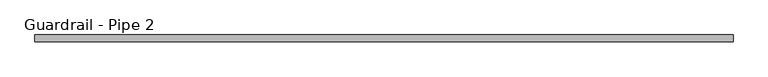
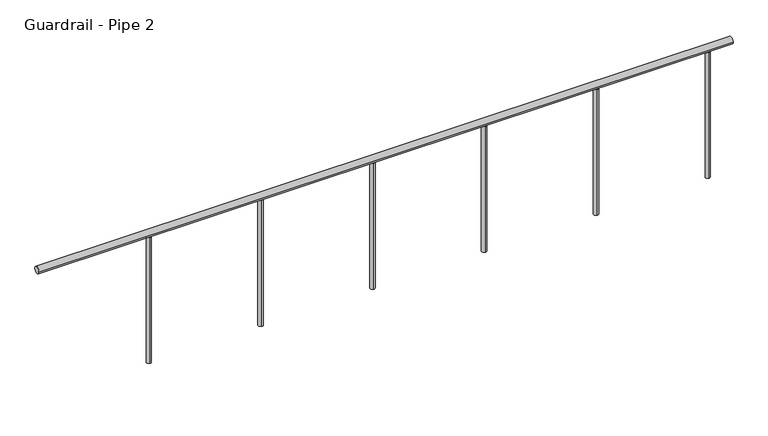
"""IFC4 building model written with IfcOpenShell, lengths in millimetres: railing geometry, Guardrail - Pipe 2."""

from ifc_helpers import new_model, si_unit, point, frame, frame_2d, origin, place, context, project, spatial, circle_curve, trimmed, segment, composite_curve, outline, extrude, source, transform, mapped, element, save


def guardrail_pipe_2_14f74d95(model_context):
    return source(origin(), model_context, "Body", "SweptSolid", [
        extrude(outline(composite_curve([segment(trimmed(circle_curve(frame_2d((-387785.7830223, 5518.15)), 19.05), [point((-387766.7330223, 5518.15))], [point((-387804.8330223, 5518.15))], False, "CARTESIAN"), True, "CONTINUOUS"), segment(trimmed(circle_curve(frame_2d((-387785.7830223, 5518.15)), 19.05), [point((-387804.8330223, 5518.15))], [point((-387766.7330223, 5518.15))], False, "CARTESIAN"), True, "CONTINUOUS")], self_intersect=False)), frame((263800.3572759, 0.0, 0.0), z_axis=(1.0, 0.0, 0.0), x_axis=(0.0, 1.0, 0.0)), (0.0, 0.0, 1.0), 3784.6),
        extrude(outline(composite_curve([segment(trimmed(circle_curve(frame_2d((267457.9572759, -387785.7830223)), 12.7), [point((267457.9572759, -387773.0830223))], [point((267457.9572759, -387798.4830223))], False, "CARTESIAN"), True, "CONTINUOUS"), segment(trimmed(circle_curve(frame_2d((267457.9572759, -387785.7830223)), 12.7), [point((267457.9572759, -387798.4830223))], [point((267457.9572759, -387773.0830223))], False, "CARTESIAN"), True, "CONTINUOUS")], self_intersect=False)), frame((0.0, 0.0, 4775.2), z_axis=(0.0, 0.0, 1.0), x_axis=(1.0, 0.0, 0.0)), (0.0, 0.0, 1.0), 723.9),
        extrude(outline(composite_curve([segment(trimmed(circle_curve(frame_2d((266848.3572759, -387785.7830223)), 12.7), [point((266848.3572759, -387773.0830223))], [point((266848.3572759, -387798.4830223))], False, "CARTESIAN"), True, "CONTINUOUS"), segment(trimmed(circle_curve(frame_2d((266848.3572759, -387785.7830223)), 12.7), [point((266848.3572759, -387798.4830223))], [point((266848.3572759, -387773.0830223))], False, "CARTESIAN"), True, "CONTINUOUS")], self_intersect=False)), frame((0.0, 0.0, 4775.2), z_axis=(0.0, 0.0, 1.0), x_axis=(1.0, 0.0, 0.0)), (0.0, 0.0, 1.0), 723.9),
        extrude(outline(composite_curve([segment(trimmed(circle_curve(frame_2d((266238.7572759, -387785.7830223)), 12.7), [point((266238.7572759, -387773.0830223))], [point((266238.7572759, -387798.4830223))], False, "CARTESIAN"), True, "CONTINUOUS"), segment(trimmed(circle_curve(frame_2d((266238.7572759, -387785.7830223)), 12.7), [point((266238.7572759, -387798.4830223))], [point((266238.7572759, -387773.0830223))], False, "CARTESIAN"), True, "CONTINUOUS")], self_intersect=False)), frame((0.0, 0.0, 4775.2), z_axis=(0.0, 0.0, 1.0), x_axis=(1.0, 0.0, 0.0)), (0.0, 0.0, 1.0), 723.9),
        extrude(outline(composite_curve([segment(trimmed(circle_curve(frame_2d((265629.1572759, -387785.7830223)), 12.7), [point((265629.1572759, -387773.0830223))], [point((265629.1572759, -387798.4830223))], False, "CARTESIAN"), True, "CONTINUOUS"), segment(trimmed(circle_curve(frame_2d((265629.1572759, -387785.7830223)), 12.7), [point((265629.1572759, -387798.4830223))], [point((265629.1572759, -387773.0830223))], False, "CARTESIAN"), True, "CONTINUOUS")], self_intersect=False)), frame((0.0, 0.0, 4775.2), z_axis=(0.0, 0.0, 1.0), x_axis=(1.0, 0.0, 0.0)), (0.0, 0.0, 1.0), 723.9),
        extrude(outline(composite_curve([segment(trimmed(circle_curve(frame_2d((265019.5572759, -387785.7830223)), 12.7), [point((265019.5572759, -387773.0830223))], [point((265019.5572759, -387798.4830223))], False, "CARTESIAN"), True, "CONTINUOUS"), segment(trimmed(circle_curve(frame_2d((265019.5572759, -387785.7830223)), 12.7), [point((265019.5572759, -387798.4830223))], [point((265019.5572759, -387773.0830223))], False, "CARTESIAN"), True, "CONTINUOUS")], self_intersect=False)), frame((0.0, 0.0, 4775.2), z_axis=(0.0, 0.0, 1.0), x_axis=(1.0, 0.0, 0.0)), (0.0, 0.0, 1.0), 723.9),
        extrude(outline(composite_curve([segment(trimmed(circle_curve(frame_2d((264409.9572759, -387785.7830223)), 12.7), [point((264409.9572759, -387773.0830223))], [point((264409.9572759, -387798.4830223))], False, "CARTESIAN"), True, "CONTINUOUS"), segment(trimmed(circle_curve(frame_2d((264409.9572759, -387785.7830223)), 12.7), [point((264409.9572759, -387798.4830223))], [point((264409.9572759, -387773.0830223))], False, "CARTESIAN"), True, "CONTINUOUS")], self_intersect=False)), frame((0.0, 0.0, 4775.2), z_axis=(0.0, 0.0, 1.0), x_axis=(1.0, 0.0, 0.0)), (0.0, 0.0, 1.0), 723.9),
    ])


if __name__ == "__main__":
    model = new_model("IFC4")
    model_context = context("Model", 3, world=origin())
    ifc_project = project(units=[si_unit("LENGTHUNIT", "METRE", prefix="MILLI")], contexts=[model_context])
    site = spatial("IfcSite", under=ifc_project)
    building = spatial("IfcBuilding", under=site)
    placement = place(None, origin())
    guardrail_pipe_2_shape = guardrail_pipe_2_14f74d95(model_context)
    element("IfcRailing", 1, ObjectType="Guardrail - Pipe 2", at=placement, inside=building, context=model_context, shape_type="MappedRepresentation", body=[
        mapped(guardrail_pipe_2_shape, transform((0.0, 0.0, 0.0), x_axis=(1.0, 0.0, 0.0), y_axis=(0.0, 1.0, 0.0), z_axis=(0.0, 0.0, 1.0))),
    ])
    save(model, "model.ifc")
